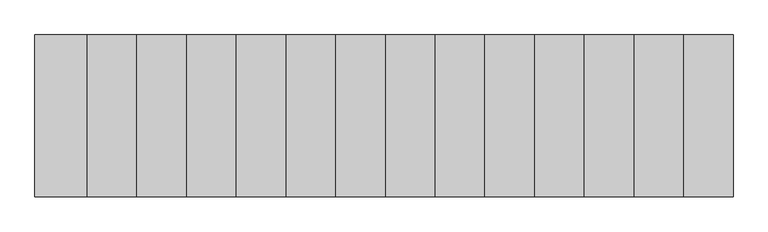
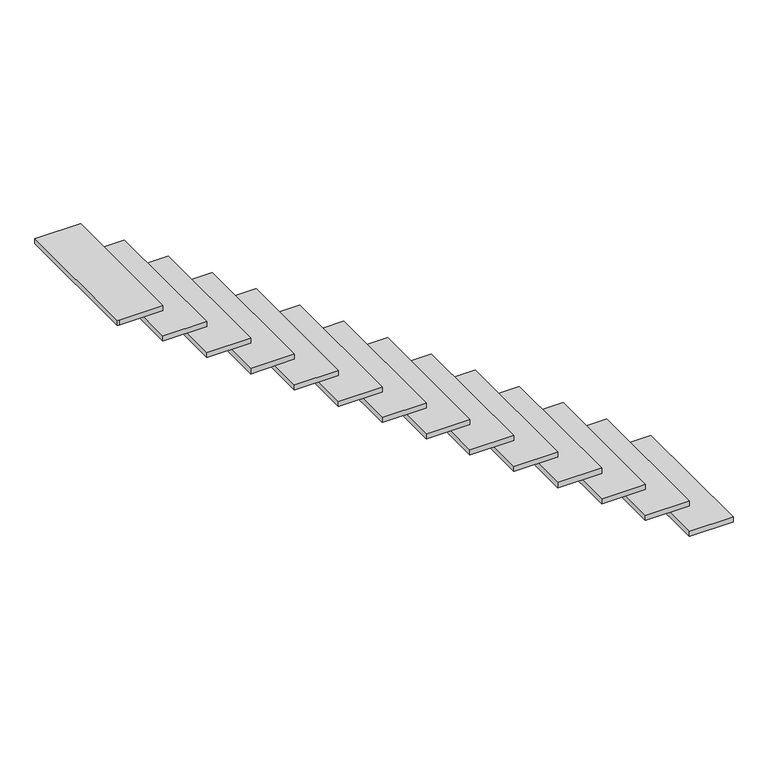
"""IFC4 building model written with IfcOpenShell, lengths in millimetres: stair flight geometry."""

from ifc_helpers import new_model, si_unit, frame, origin, place, context, project, spatial, polyline, outline, extrude, source, transform, mapped, element, save


def stair_flight_039daf4a(model_context):
    return source(origin(), model_context, "Body", "SweptSolid", [
        extrude(outline(polyline([(-98388.5317981, 50784.2635879), (-98388.5317981, 51580.8881329), (-98143.5317981, 51580.8881329), (-98143.5317981, 50784.2635879), (-98388.5317981, 50784.2635879)])), frame((0.0, 0.0, -7601.75), z_axis=(0.0, 0.0, 1.0), x_axis=(1.0, 0.0, 0.0)), (0.0, 0.0, 1.0), 30.0),
        extrude(outline(polyline([(-98633.5317981, 50784.2635879), (-98633.5317981, 51580.8881329), (-98388.5317981, 51580.8881329), (-98388.5317981, 50784.2635879), (-98633.5317981, 50784.2635879)])), frame((0.0, 0.0, -7419.75), z_axis=(0.0, 0.0, 1.0), x_axis=(1.0, 0.0, 0.0)), (0.0, 0.0, 1.0), 30.0),
        extrude(outline(polyline([(-98878.5317981, 50784.2635879), (-98878.5317981, 51580.8881329), (-98633.5317981, 51580.8881329), (-98633.5317981, 50784.2635879), (-98878.5317981, 50784.2635879)])), frame((0.0, 0.0, -7237.75), z_axis=(0.0, 0.0, 1.0), x_axis=(1.0, 0.0, 0.0)), (0.0, 0.0, 1.0), 30.0),
        extrude(outline(polyline([(-99123.5317981, 50784.2635879), (-99123.5317981, 51580.8881329), (-98878.5317981, 51580.8881329), (-98878.5317981, 50784.2635879), (-99123.5317981, 50784.2635879)])), frame((0.0, 0.0, -7055.75), z_axis=(0.0, 0.0, 1.0), x_axis=(1.0, 0.0, 0.0)), (0.0, 0.0, 1.0), 30.0),
        extrude(outline(polyline([(-99368.5317981, 50784.2635879), (-99368.5317981, 51580.8881329), (-99123.5317981, 51580.8881329), (-99123.5317981, 50784.2635879), (-99368.5317981, 50784.2635879)])), frame((0.0, 0.0, -6873.75), z_axis=(0.0, 0.0, 1.0), x_axis=(1.0, 0.0, 0.0)), (0.0, 0.0, 1.0), 30.0),
        extrude(outline(polyline([(-99613.5317981, 50784.2635879), (-99613.5317981, 51580.8881329), (-99368.5317981, 51580.8881329), (-99368.5317981, 50784.2635879), (-99613.5317981, 50784.2635879)])), frame((0.0, 0.0, -6691.75), z_axis=(0.0, 0.0, 1.0), x_axis=(1.0, 0.0, 0.0)), (0.0, 0.0, 1.0), 30.0),
        extrude(outline(polyline([(-99858.5317981, 50784.2635879), (-99858.5317981, 51580.8881329), (-99613.5317981, 51580.8881329), (-99613.5317981, 50784.2635879), (-99858.5317981, 50784.2635879)])), frame((0.0, 0.0, -6509.75), z_axis=(0.0, 0.0, 1.0), x_axis=(1.0, 0.0, 0.0)), (0.0, 0.0, 1.0), 30.0),
        extrude(outline(polyline([(-100103.5317981, 50784.2635879), (-100103.5317981, 51580.8881329), (-99858.5317981, 51580.8881329), (-99858.5317981, 50784.2635879), (-100103.5317981, 50784.2635879)])), frame((0.0, 0.0, -6327.75), z_axis=(0.0, 0.0, 1.0), x_axis=(1.0, 0.0, 0.0)), (0.0, 0.0, 1.0), 30.0),
        extrude(outline(polyline([(-100348.5317981, 50784.2635879), (-100348.5317981, 51580.8881329), (-100103.5317981, 51580.8881329), (-100103.5317981, 50784.2635879), (-100348.5317981, 50784.2635879)])), frame((0.0, 0.0, -6145.75), z_axis=(0.0, 0.0, 1.0), x_axis=(1.0, 0.0, 0.0)), (0.0, 0.0, 1.0), 30.0),
        extrude(outline(polyline([(-100593.5317981, 50784.2635879), (-100593.5317981, 51580.8881329), (-100348.5317981, 51580.8881329), (-100348.5317981, 50784.2635879), (-100593.5317981, 50784.2635879)])), frame((0.0, 0.0, -5963.75), z_axis=(0.0, 0.0, 1.0), x_axis=(1.0, 0.0, 0.0)), (0.0, 0.0, 1.0), 30.0),
        extrude(outline(polyline([(-100838.5317981, 50784.2635879), (-100838.5317981, 51580.8881329), (-100593.5317981, 51580.8881329), (-100593.5317981, 50784.2635879), (-100838.5317981, 50784.2635879)])), frame((0.0, 0.0, -5781.75), z_axis=(0.0, 0.0, 1.0), x_axis=(1.0, 0.0, 0.0)), (0.0, 0.0, 1.0), 30.0),
        extrude(outline(polyline([(-101083.5317981, 50784.2635879), (-101083.5317981, 51580.8881329), (-100838.5317981, 51580.8881329), (-100838.5317981, 50784.2635879), (-101083.5317981, 50784.2635879)])), frame((0.0, 0.0, -5599.75), z_axis=(0.0, 0.0, 1.0), x_axis=(1.0, 0.0, 0.0)), (0.0, 0.0, 1.0), 30.0),
        extrude(outline(polyline([(-101328.5317981, 50784.2635879), (-101328.5317981, 51580.8881329), (-101083.5317981, 51580.8881329), (-101083.5317981, 50784.2635879), (-101328.5317981, 50784.2635879)])), frame((0.0, 0.0, -5417.75), z_axis=(0.0, 0.0, 1.0), x_axis=(1.0, 0.0, 0.0)), (0.0, 0.0, 1.0), 30.0),
        extrude(outline(polyline([(-101583.5317981, 50784.2635879), (-101583.5317981, 51580.8881329), (-101573.5317981, 51580.8881329), (-101328.5317981, 51580.8881329), (-101328.5317981, 50784.2635879), (-101573.5317981, 50784.2635879), (-101583.5317981, 50784.2635879)])), frame((0.0, 0.0, -5235.75), z_axis=(0.0, 0.0, 1.0), x_axis=(1.0, 0.0, 0.0)), (0.0, 0.0, 1.0), 30.0),
    ])


if __name__ == "__main__":
    model = new_model("IFC4")
    model_context = context("Model", 3, world=origin())
    ifc_project = project(units=[si_unit("LENGTHUNIT", "METRE", prefix="MILLI")], contexts=[model_context])
    site = spatial("IfcSite", under=ifc_project)
    building = spatial("IfcBuilding", under=site)
    placement = place(None, origin())
    stair_flight_shape = stair_flight_039daf4a(model_context)
    element("IfcStairFlight", 1, at=placement, inside=building, context=model_context, shape_type="MappedRepresentation", body=[
        mapped(stair_flight_shape, transform((0.0, 0.0, 0.0), x_axis=(1.0, 0.0, 0.0), y_axis=(0.0, 1.0, 0.0), z_axis=(0.0, 0.0, 1.0))),
    ])
    save(model, "model.ifc")
